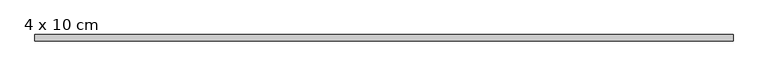
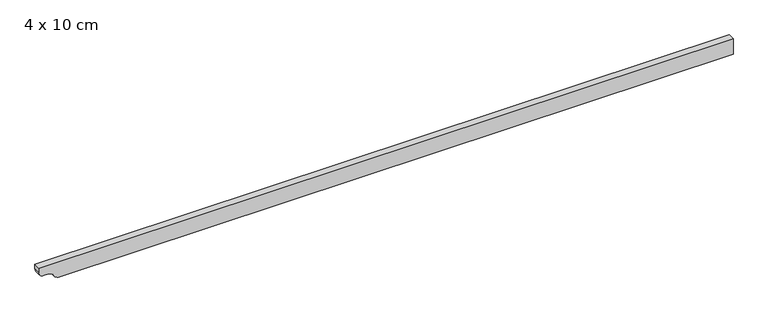
"""IFC4 building model written with IfcOpenShell, lengths in millimetres: beam geometry, 4 x 10 cm."""

from ifc_helpers import new_model, si_unit, point, frame, frame_2d, origin, place, context, project, spatial, polyline, circle_curve, trimmed, segment, composite_curve, outline, extrude, source, transform, mapped, element, save


def beam_4_x_10_cm_0aef2eef(model_context):
    return source(origin(), model_context, "Body", "SweptSolid", [
        extrude(outline(composite_curve([segment(polyline([(50.0, 2143.1893249), (50.0, -2182.9175709), (22.5, -2182.9175709)]), True, "CONTINUOUS"), segment(trimmed(circle_curve(frame_2d((22.5, -2150.4175709)), 32.5), [point((22.5, -2182.9175709))], [point((-10.0, -2150.4175709))], False, "CARTESIAN"), True, "CONTINUOUS"), segment(polyline([(-10.0, -2150.4175709), (-10.0, -2119.4073658)]), True, "CONTINUOUS"), segment(trimmed(circle_curve(frame_2d((-40.0, -2119.4073658)), 30.0), [point((-10.0, -2119.4073658))], [point((-34.0, -2090.0134889))], True, "CARTESIAN"), True, "CONTINUOUS"), segment(trimmed(circle_curve(frame_2d((-3.1535049, -2050.6625837)), 50.0), [point((-34.0, -2090.0134889))], [point((-53.1535049, -2050.6625837))], False, "CARTESIAN"), True, "CONTINUOUS"), segment(polyline([(-53.1535049, -2050.6625837), (-53.1535049, 2143.1893249), (50.0, 2143.1893249)]), True, "CONTINUOUS")], self_intersect=False)), frame((0.0, -20.0, 0.0), z_axis=(0.0, 1.0, 0.0), x_axis=(0.0, 0.0, 1.0)), (0.0, 0.0, 1.0), 40.0),
    ])


if __name__ == "__main__":
    model = new_model("IFC4")
    model_context = context("Model", 3, world=origin())
    ifc_project = project(units=[si_unit("LENGTHUNIT", "METRE", prefix="MILLI")], contexts=[model_context])
    site = spatial("IfcSite", under=ifc_project)
    building = spatial("IfcBuilding", under=site)
    placement = place(None, origin())
    beam_4_x_10_cm_shape = beam_4_x_10_cm_0aef2eef(model_context)
    element("IfcBeam", 1, ObjectType="4 x 10 cm", at=placement, inside=building, context=model_context, shape_type="MappedRepresentation", body=[
        mapped(beam_4_x_10_cm_shape, transform((0.0, 0.0, 0.0), x_axis=(1.0, 0.0, 0.0), y_axis=(0.0, 1.0, 0.0), z_axis=(0.0, 0.0, 1.0))),
    ])
    save(model, "model.ifc")
